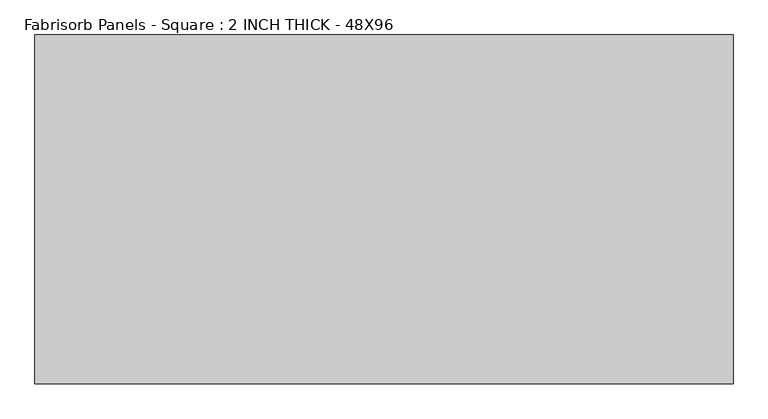
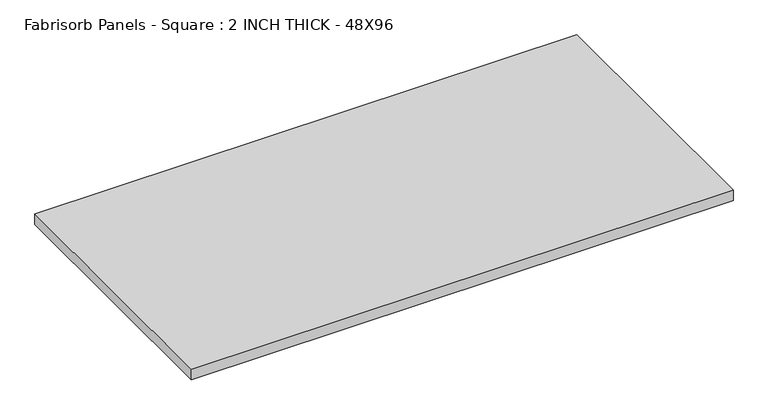
"""IFC4 building model written with IfcOpenShell, lengths in millimetres: proxy geometry, Fabrisorb Panels - Square : 2 INCH THICK - 48X96."""

from ifc_helpers import new_model, si_unit, origin, origin_with_axes, place, context, project, spatial, polyline, outline, extrude, source, transform, mapped, element, save


def fabrisorb_panels_square_2_inch_thick_48x96_53a8713e(model_context):
    return source(origin(), model_context, "Body", "SweptSolid", [
        extrude(outline(polyline([(-1219.2, 609.6), (1219.2, 609.6), (1219.2, -609.6), (-1219.2, -609.6), (-1219.2, 609.6)])), origin_with_axes(), (0.0, 0.0, 1.0), 50.8),
    ])


if __name__ == "__main__":
    model = new_model("IFC4")
    model_context = context("Model", 3, world=origin())
    ifc_project = project(units=[si_unit("LENGTHUNIT", "METRE", prefix="MILLI")], contexts=[model_context])
    site = spatial("IfcSite", under=ifc_project)
    building = spatial("IfcBuilding", under=site)
    placement = place(None, origin())
    fabrisorb_panels_square_2_inch_thick_48x96_shape = fabrisorb_panels_square_2_inch_thick_48x96_53a8713e(model_context)
    element("IfcBuildingElementProxy", 1, Name="Fabrisorb Panels - Square : 2 INCH THICK - 48X96", ObjectType="Fabrisorb Panels - Square : 2 INCH THICK - 48X96", at=placement, inside=building, context=model_context, shape_type="MappedRepresentation", body=[
        mapped(fabrisorb_panels_square_2_inch_thick_48x96_shape, transform((0.0, 0.0, 0.0), x_axis=(1.0, 0.0, 0.0), y_axis=(0.0, 1.0, 0.0), z_axis=(0.0, 0.0, 1.0))),
    ])
    save(model, "model.ifc")
